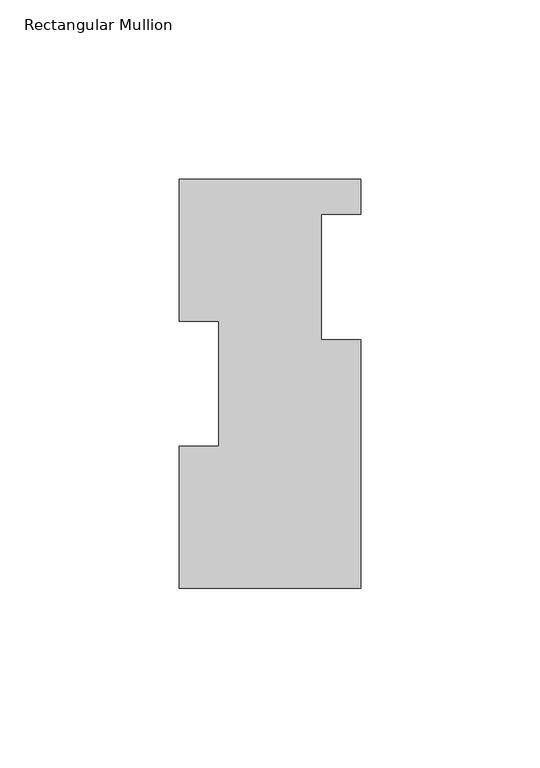
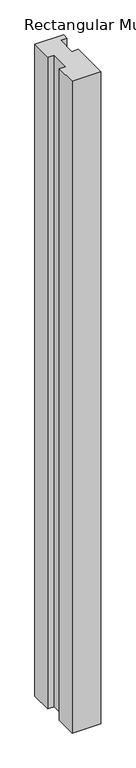
"""IFC4 building model written with IfcOpenShell, lengths in millimetres: member geometry, Rectangular Mullion."""

from ifc_helpers import new_model, si_unit, frame, origin, place, context, project, spatial, polyline, outline, extrude, source, transform, mapped, element, save


def rectangular_mullion_e2432426(model_context):
    return source(origin(), model_context, "Body", "SweptSolid", [
        extrude(outline(polyline([(25.4, 114.0729875), (25.4, 104.1669875), (14.2875, 104.1669875), (14.2875, 69.2419875), (25.4, 69.2419875), (25.4, -0.2270125), (-25.4, -0.2270125), (-25.4, 39.4477875), (-14.2875, 39.4477875), (-14.2875, 74.3981875), (-25.4, 74.3981875), (-25.4, 114.0729875), (25.4, 114.0729875)])), frame((0.0, 0.0, -1219.2), z_axis=(0.0, 0.0, 1.0), x_axis=(1.0, 0.0, 0.0)), (0.0, 0.0, 1.0), 1219.2),
    ])


if __name__ == "__main__":
    model = new_model("IFC4")
    model_context = context("Model", 3, world=origin())
    ifc_project = project(units=[si_unit("LENGTHUNIT", "METRE", prefix="MILLI")], contexts=[model_context])
    site = spatial("IfcSite", under=ifc_project)
    building = spatial("IfcBuilding", under=site)
    placement = place(None, origin())
    rectangular_mullion_shape = rectangular_mullion_e2432426(model_context)
    element("IfcMember", 1, ObjectType="Rectangular Mullion", at=placement, inside=building, context=model_context, shape_type="MappedRepresentation", body=[
        mapped(rectangular_mullion_shape, transform((0.0, 0.0, 0.0), x_axis=(1.0, 0.0, 0.0), y_axis=(0.0, 1.0, 0.0), z_axis=(0.0, 0.0, 1.0))),
    ])
    save(model, "model.ifc")
